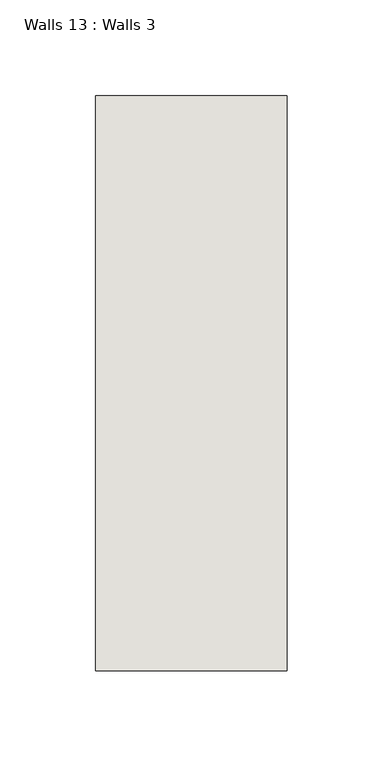
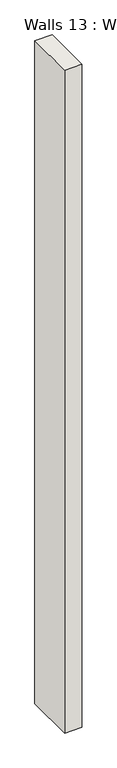
"""IFC4 building model written with IfcOpenShell, lengths in millimetres: wall geometry, Walls 13 : Walls 3."""

from ifc_helpers import new_model, si_unit, origin, origin_with_axes, place, context, project, spatial, polyline, outline, extrude, source, transform, mapped, element, save


def walls_13_walls_3_545a4231(model_context):
    return source(origin(), model_context, "Body", "SweptSolid", [
        extrude(outline(polyline([(-6612.3812655, 1518.41264), (-6612.3812655, 1818.41264), (-6512.3812655, 1818.41264), (-6512.3812655, 1518.41264), (-6612.3812655, 1518.41264)])), origin_with_axes(), (0.0, 0.0, 1.0), 4085.1192828),
    ])


if __name__ == "__main__":
    model = new_model("IFC4")
    model_context = context("Model", 3, world=origin())
    ifc_project = project(units=[si_unit("LENGTHUNIT", "METRE", prefix="MILLI")], contexts=[model_context])
    site = spatial("IfcSite", under=ifc_project)
    building = spatial("IfcBuilding", under=site)
    placement = place(None, origin())
    walls_13_walls_3_shape = walls_13_walls_3_545a4231(model_context)
    element("IfcWall", 1, ObjectType="Walls 13 : Walls 3", at=placement, inside=building, context=model_context, shape_type="MappedRepresentation", body=[
        mapped(walls_13_walls_3_shape, transform((0.0, 0.0, 0.0), x_axis=(1.0, 0.0, 0.0), y_axis=(0.0, 1.0, 0.0), z_axis=(0.0, 0.0, 1.0))),
    ])
    save(model, "model.ifc")
